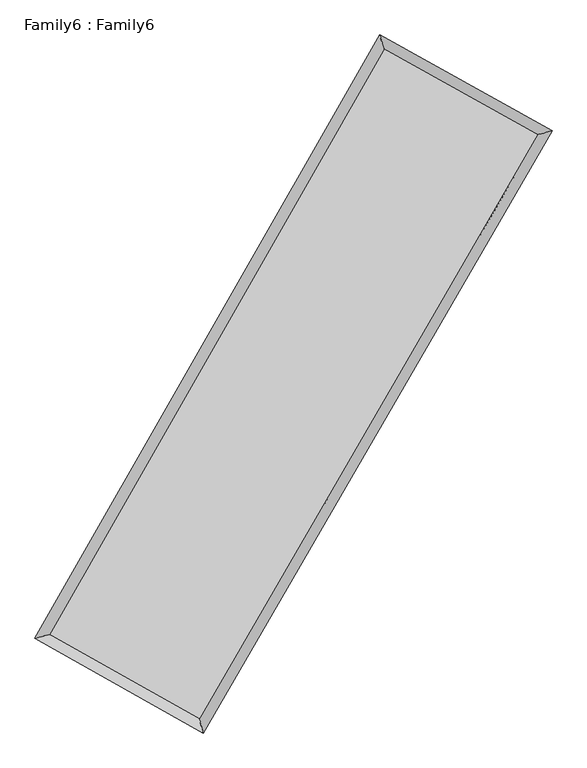
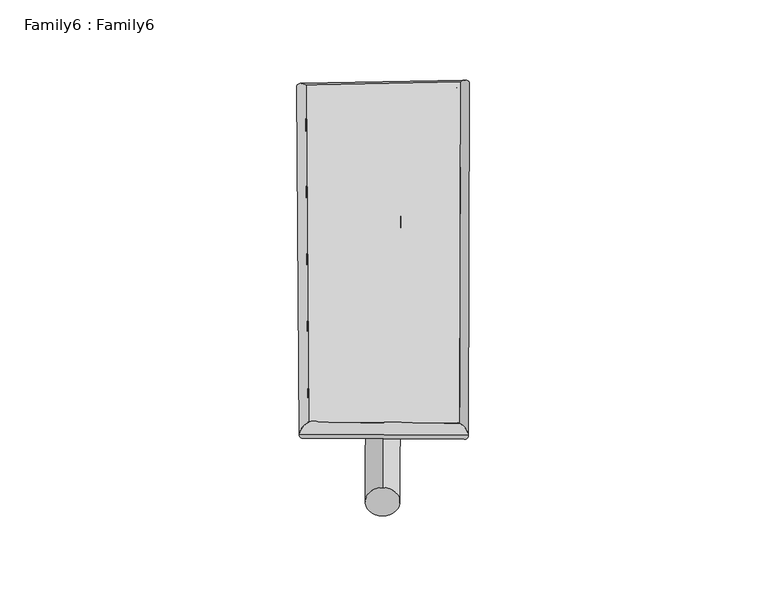
"""IFC4 building model written with IfcOpenShell, lengths in millimetres: plate geometry, Family6 : Family6."""

from ifc_helpers import new_model, si_unit, point, frame, origin, origin_2d, place, context, project, spatial, circle_curve, ellipse_curve, trimmed, segment, composite_curve, outline, extrude, source, transform, mapped, element, save
from ifc_brep_helpers import plane_surface, cylinder_surface, spline_surface, advanced_brep


def family6_family6_e40246f3(model_context):
    return source(origin(), model_context, "Body", "SolidModel", [
        extrude(outline(composite_curve([segment(trimmed(circle_curve(origin_2d(), 76.2), [point((-75.4341514, -10.7763074))], [point((75.4341514, 10.7763074))], False, "CARTESIAN"), True, "CONTINUOUS"), segment(trimmed(circle_curve(origin_2d(), 76.2), [point((75.4341514, 10.7763074))], [point((-75.4341514, -10.7763074))], False, "CARTESIAN"), True, "CONTINUOUS")], self_intersect=False)), frame((9144.0, 9144.0, 0.0), z_axis=(0.6746753211612061, 0.6850798326582028, 0.274734114920285), x_axis=(-0.6773923426842717, 0.7225244604722307, -0.138195579133438)), (0.0, 0.0, 1.0), 5615.4586438),
        extrude(outline(composite_curve([segment(trimmed(circle_curve(origin_2d(), 76.2), [point((-53.8815367, 53.8815367))], [point((53.8815367, -53.8815367))], False, "CARTESIAN"), True, "CONTINUOUS"), segment(trimmed(circle_curve(origin_2d(), 76.2), [point((53.8815367, -53.8815367))], [point((-53.8815367, 53.8815367))], False, "CARTESIAN"), True, "CONTINUOUS")], self_intersect=False)), frame((9144.0, 9144.0, 0.0), z_axis=(-0.670902295743262, -0.6885084240453428, 0.27540199633448403), x_axis=(0.6437962559569339, -0.3565047822673318, 0.6770751221514172)), (0.0, 0.0, 1.0), 5602.4913165),
        extrude(outline(composite_curve([segment(trimmed(circle_curve(origin_2d(), 76.2), [point((-53.8815367, -53.8815367))], [point((53.8815367, 53.8815367))], False, "CARTESIAN"), True, "CONTINUOUS"), segment(trimmed(circle_curve(origin_2d(), 76.2), [point((53.8815367, 53.8815367))], [point((-53.8815367, -53.8815367))], False, "CARTESIAN"), True, "CONTINUOUS")], self_intersect=False)), frame((9144.0, 9144.0, 0.0), z_axis=(0.25227045228487655, 0.9292791526009748, 0.2698145204491377), x_axis=(-0.8435307589331744, 0.3478155257420143, -0.4092434712813744)), (0.0, 0.0, 1.0), 5569.3200413),
        extrude(outline(composite_curve([segment(trimmed(circle_curve(origin_2d(), 76.2), [point((-75.4341514, 10.7763073))], [point((75.4341514, -10.7763073))], False, "CARTESIAN"), True, "CONTINUOUS"), segment(trimmed(circle_curve(origin_2d(), 76.2), [point((75.4341514, -10.7763073))], [point((-75.4341514, 10.7763073))], False, "CARTESIAN"), True, "CONTINUOUS")], self_intersect=False)), frame((9144.0, 9144.0, 0.0), z_axis=(-0.25734732629155216, -0.9278746234556581, 0.26985373222842446), x_axis=(0.8839872741186303, -0.11325916204949481, 0.453584458957932)), (0.0, 0.0, 1.0), 5566.8268988),
        advanced_brep(
        [(5176.8743412, 5229.0818005, 1540.0685132), (5176.8308716, 5229.0131332, 1546.8283398), (5593.6770865, 5344.1932654, 1545.8060729), (10606.4372531, 14112.9724102, 1506.7288486), (10491.5125183, 14525.9336069, 1498.6379837), (5593.7205561, 5344.2619327, 1539.0462463), (12723.068665, 12933.3604656, 1542.3144975), (13142.1540629, 13048.7144703, 1543.2016232), (7654.9401999, 4185.2560549, 1502.973801), (7767.8437634, 3772.10912, 1501.4842296)],
        [
            (0, 1, ellipse_curve(frame((5385.2757139, 5286.6375329, 1542.937293), z_axis=(-0.26630600778648655, 0.9638546821710242, 0.00807848214813013), x_axis=(-0.9637696577355513, -0.2663954378722387, 0.013472843395385696)), 216.3005601, 152.4)),
            (1, 2, ellipse_curve(frame((5385.2757139, 5286.6375329, 1542.937293), z_axis=(-0.26630600778648655, 0.9638546821710242, 0.00807848214813013), x_axis=(-0.9637696577355513, -0.2663954378722387, 0.013472843395385696)), 216.3005601, 152.4)),
            (2, 3),
            (3, 4, ellipse_curve(frame((10548.9748857, 14319.4530085, 1502.6834162), z_axis=(-0.9633231085297975, -0.26823633090306903, -0.007606533780067707), x_axis=(0.2681240928801804, -0.9632940777342647, 0.013190550377941819)), 214.3687908, 152.4)),
            (4, 0),
            (2, 5, ellipse_curve(frame((5385.2757139, 5286.6375329, 1542.937293), z_axis=(-0.26630600778648655, 0.9638546821710242, 0.00807848214813013), x_axis=(-0.9637696577355513, -0.2663954378722387, 0.013472843395385696)), 216.3005601, 152.4)),
            (5, 0, ellipse_curve(frame((5385.2757139, 5286.6375329, 1542.937293), z_axis=(-0.26630600778648655, 0.9638546821710242, 0.00807848214813013), x_axis=(-0.9637696577355513, -0.2663954378722387, 0.013472843395385696)), 216.3005601, 152.4)),
            (4, 3, ellipse_curve(frame((10548.9748857, 14319.4530085, 1502.6834162), z_axis=(-0.9633231085297975, -0.26823633090306903, -0.007606533780067707), x_axis=(0.2681240928801804, -0.9632940777342647, 0.013190550377941819)), 214.3687908, 152.4)),
            (3, 6),
            (6, 7, ellipse_curve(frame((12932.611364, 12991.037468, 1542.7580604), z_axis=(-0.2653591623496464, 0.9641189142793084, -0.0076963683631628204), x_axis=(-0.9640390548573962, -0.26544116918494665, -0.01302637368521376)), 217.3496506, 152.4)),
            (7, 4),
            (7, 6, ellipse_curve(frame((12932.611364, 12991.037468, 1542.7580604), z_axis=(-0.2653591623496464, 0.9641189142793084, -0.0076963683631628204), x_axis=(-0.9640390548573962, -0.26544116918494665, -0.01302637368521376)), 217.3496506, 152.4)),
            (6, 8),
            (8, 9, ellipse_curve(frame((7711.3919817, 3978.6825874, 1502.2290153), z_axis=(0.9645910241560314, 0.2636293428683334, -0.00798283761760594), x_axis=(-0.2635083574380173, 0.9645608988259801, 0.01362417029898198)), 214.1601227, 152.4)),
            (9, 7),
            (9, 8, ellipse_curve(frame((7711.3919817, 3978.6825874, 1502.2290153), z_axis=(0.9645910241560314, 0.2636293428683334, -0.00798283761760594), x_axis=(-0.2635083574380173, 0.9645608988259801, 0.01362417029898198)), 214.1601227, 152.4)),
            (8, 5),
            (1, 9),
        ],
        [
            cylinder_surface(frame((5385.2757139, 5286.6375329, 1542.937293), z_axis=(-0.496286667629131, -0.8681500882369257, 0.003868827702389964), x_axis=(-0.8679761461582204, 0.49608599224650096, -0.022717790322310617)), 152.4),
            cylinder_surface(frame((10548.9748857, 14319.4530085, 1502.6834162), z_axis=(-0.8734131023251263, 0.48675859302818897, -0.014684168346100635), x_axis=(0.4869300926872742, 0.8733582439007349, -0.012019261465952391)), 152.4),
            cylinder_surface(frame((12932.611364, 12991.037468, 1542.7580604), z_axis=(0.5012870258577762, 0.8652723134682218, 0.0038911761740139162), x_axis=(0.8652804309167614, -0.5012870258577761, -0.0010457433572973406)), 152.4),
            cylinder_surface(frame((7711.3919817, 3978.6825874, 1502.2290153), z_axis=(0.8715518594291104, -0.49006603004987914, -0.015252623276395021), x_axis=(-0.4899624647403822, -0.8716842046223967, 0.010170081481950841)), 152.4),
        ],
        [
            (0, [[1, 2, 3, 4, 5]]),
            (0, [[6, 7, -5, 8, -3]]),
            (1, [[-4, 9, 10, 11]]),
            (1, [[-8, -11, 12, -9]]),
            (2, [[-10, 13, 14, 15]]),
            (2, [[-12, -15, 16, -13]]),
            (3, [[-14, 17, -6, -2, 18]]),
            (3, [[-16, -18, -1, -7, -17]]),
        ],
    ),
        extrude(outline(composite_curve([segment(trimmed(circle_curve(origin_2d(), 304.8), [point((0.0, 304.8))], [point((0.0, -304.8))], False, "CARTESIAN"), True, "CONTINUOUS"), segment(trimmed(circle_curve(origin_2d(), 304.8), [point((0.0, -304.8))], [point((0.0, 304.8))], False, "CARTESIAN"), True, "CONTINUOUS")], self_intersect=False)), frame((11771.4544839, 13664.4280852, -0.0140922), z_axis=(-0.5025201983864602, -0.8645654690110914, 2.6952320900248225e-06), x_axis=(-0.8645654690149873, 0.5025201983864602, -7.263936756777783e-07)), (0.0, 0.0, 1.0), 10457.1099522),
        advanced_brep(
        [(5385.2757139, 5286.6375329, 1542.937293), (7711.3919817, 3978.6825874, 1502.2290153), (7711.3843611, 3978.6843134, 1654.6290151), (5385.2680933, 5286.6392589, 1695.3372928), (12932.611364, 12991.037468, 1542.7580604), (12932.6037434, 12991.039194, 1695.1580602), (10548.9748857, 14319.4530085, 1502.6834162), (10548.9672652, 14319.4547345, 1655.083416)],
        [
            (0, 1),
            (1, 2),
            (2, 3),
            (3, 0),
            (1, 4),
            (4, 5),
            (5, 2),
            (4, 6),
            (6, 7),
            (7, 5),
            (6, 0),
            (3, 7),
        ],
        [
            plane_surface(frame((6548.3338478, 4632.6600602, 1522.5831542), z_axis=(-0.49012323965190363, -0.8716531476102802, -1.4636051814117396e-05), x_axis=(0.8715518594291102, -0.49006603004987925, -0.015252623276395028))),
            plane_surface(frame((10322.0016728, 8484.8600277, 1522.4935378), z_axis=(0.8652787676872273, -0.5012909851514659, 4.8944317219184064e-05), x_axis=(0.5012870258577761, 0.8652723134682215, 0.0038911761740139123))),
            plane_surface(frame((11740.7931248, 13655.2452383, 1522.7207383), z_axis=(0.4868108947189888, 0.8735073855292307, 1.4449422886348914e-05), x_axis=(-0.873413102325126, 0.4867585930281894, -0.01468416834610064))),
            plane_surface(frame((7967.1252998, 9803.0452707, 1522.8103546), z_axis=(-0.8681566785711805, 0.4962902165549507, -4.903158710494837e-05), x_axis=(-0.4962866676291311, -0.8681500882369256, 0.0038688277023899574))),
            spline_surface(1, 1, [[(7711.3843611, 3978.6843134, 1654.6290151), (5385.2680933, 5286.6392589, 1695.3372928)], [(12932.6037434, 12991.039194, 1695.1580602), (10548.9672652, 14319.4547345, 1655.083416)]], [2, 2], [2, 2], [0.0, 1.0], [0.0, 1.0]),
            spline_surface(1, 1, [[(10548.9748857, 14319.4530085, 1502.6834162), (5385.2757139, 5286.6375329, 1542.937293)], [(12932.611364, 12991.037468, 1542.7580604), (7711.3919817, 3978.6825874, 1502.2290153)]], [2, 2], [2, 2], [0.0, 1.0], [0.0, 1.0]),
        ],
        [
            (0, [[1, 2, 3, 4]]),
            (1, [[5, 6, 7, -2]]),
            (2, [[8, 9, 10, -6]]),
            (3, [[11, -4, 12, -9]]),
            (4, [[-3, -7, -10, -12]]),
            (5, [[-11, -8, -5, -1]]),
        ],
    ),
    ])


if __name__ == "__main__":
    model = new_model("IFC4")
    model_context = context("Model", 3, world=origin())
    ifc_project = project(units=[si_unit("LENGTHUNIT", "METRE", prefix="MILLI")], contexts=[model_context])
    site = spatial("IfcSite", under=ifc_project)
    building = spatial("IfcBuilding", under=site)
    placement = place(None, origin())
    family6_family6_shape = family6_family6_e40246f3(model_context)
    element("IfcPlate", 1, ObjectType="Family6 : Family6", at=placement, inside=building, context=model_context, shape_type="MappedRepresentation", body=[
        mapped(family6_family6_shape, transform((0.0, 0.0, 0.0), x_axis=(1.0, 0.0, 0.0), y_axis=(0.0, 1.0, 0.0), z_axis=(0.0, 0.0, 1.0))),
    ])
    save(model, "model.ifc")
